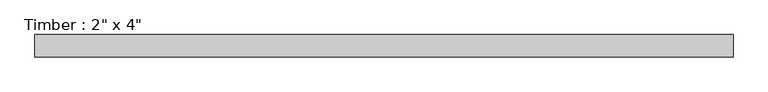
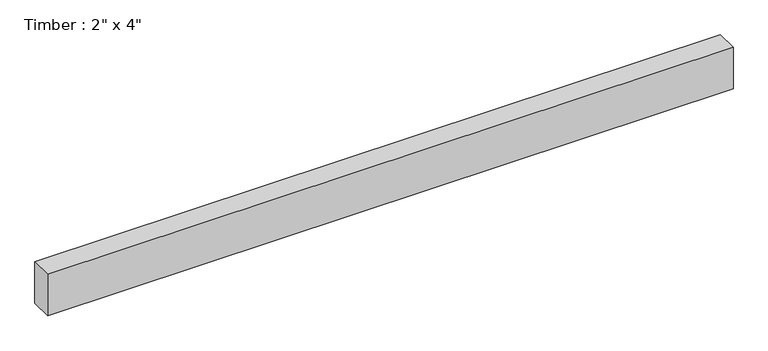
"""IFC4 building model written with IfcOpenShell, lengths in millimetres: beam geometry."""

from ifc_helpers import new_model, si_unit, frame, origin, place, context, project, spatial, polyline, outline, extrude, source, transform, mapped, element, save


def beam_a6daddb4(model_context):
    return source(origin(), model_context, "Body", "SweptSolid", [
        extrude(outline(polyline([(795.0729375, -25.4), (-795.0729375, -25.4), (-795.0729375, 25.4), (795.0729375, 25.4), (795.0729375, -25.4)])), frame((0.0, 0.0, -50.8), z_axis=(0.0, 0.0, 1.0), x_axis=(1.0, 0.0, 0.0)), (0.0, 0.0, 1.0), 101.6),
    ])


if __name__ == "__main__":
    model = new_model("IFC4")
    model_context = context("Model", 3, world=origin())
    ifc_project = project(units=[si_unit("LENGTHUNIT", "METRE", prefix="MILLI")], contexts=[model_context])
    site = spatial("IfcSite", under=ifc_project)
    building = spatial("IfcBuilding", under=site)
    placement = place(None, origin())
    beam_shape = beam_a6daddb4(model_context)
    element("IfcBeam", 1, ObjectType="Timber : 2\" x 4\"", at=placement, inside=building, context=model_context, shape_type="MappedRepresentation", body=[
        mapped(beam_shape, transform((0.0, 0.0, 0.0), x_axis=(1.0, 0.0, 0.0), y_axis=(0.0, 1.0, 0.0), z_axis=(0.0, 0.0, 1.0))),
    ])
    save(model, "model.ifc")
